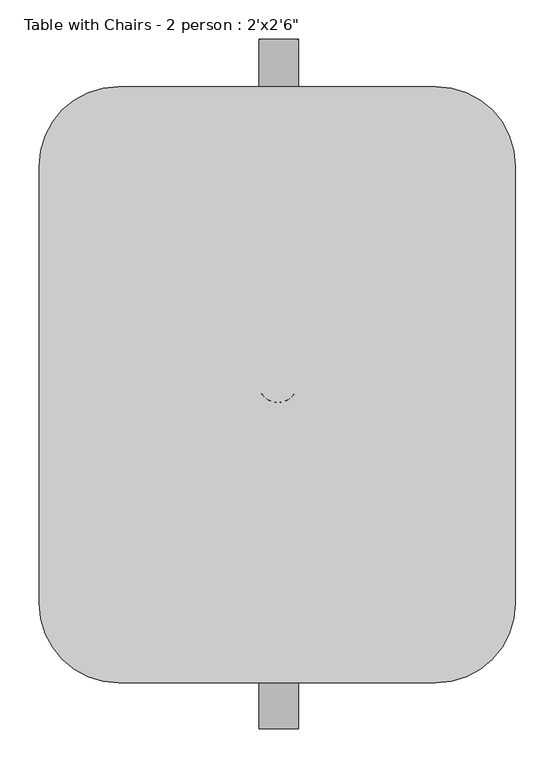
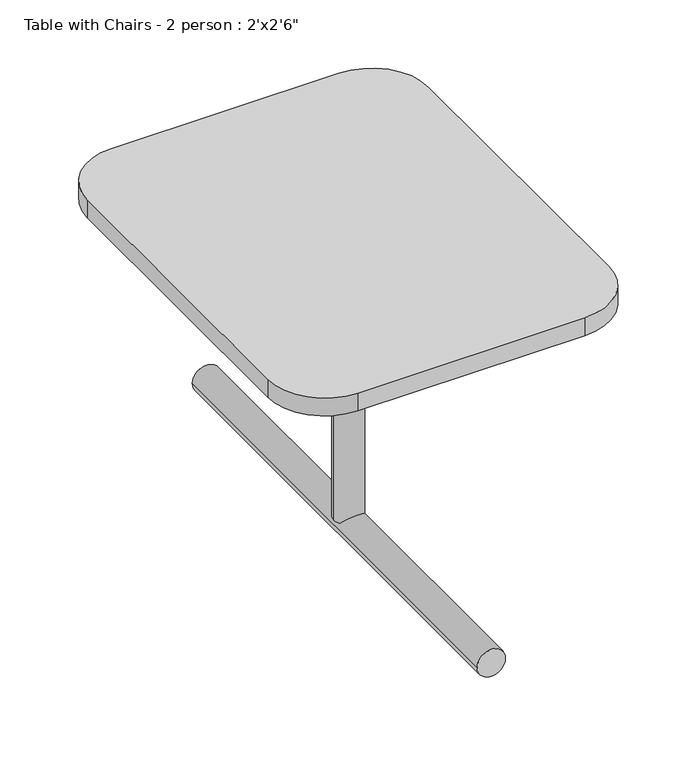
"""IFC4 building model written with IfcOpenShell, lengths in millimetres: furniture geometry."""

from ifc_helpers import new_model, si_unit, point, frame, frame_2d, origin, place, context, project, spatial, polyline, circle_curve, trimmed, segment, composite_curve, outline, extrude, source, transform, mapped, element, save


def furniture_329c1a21(model_context):
    return source(origin(), model_context, "Body", "SweptSolid", [
        extrude(outline(composite_curve([segment(trimmed(circle_curve(frame_2d((0.0, -25.4)), 25.4), [point((0.0, -50.8))], [point((0.0, 0.0))], False, "CARTESIAN"), True, "CONTINUOUS"), segment(trimmed(circle_curve(frame_2d((0.0, -25.4)), 25.4), [point((0.0, 0.0))], [point((0.0, -50.8))], False, "CARTESIAN"), True, "CONTINUOUS")], self_intersect=False)), frame((419.0268721, 1.6184807, 260.985332), z_axis=(0.0, 0.002041048938466462, 0.9999979170574461), x_axis=(0.0, -0.9999979170574461, 0.002041048938466462)), (0.0, 0.0, 1.0), 501.4645704),
        extrude(outline(composite_curve([segment(trimmed(circle_curve(frame_2d((0.0, -25.4)), 25.4), [point((0.0, -50.8))], [point((0.0, 0.0))], False, "CARTESIAN"), True, "CONTINUOUS"), segment(trimmed(circle_curve(frame_2d((0.0, -25.4)), 25.4), [point((0.0, 0.0))], [point((0.0, -50.8))], False, "CARTESIAN"), True, "CONTINUOUS")], self_intersect=False)), frame((419.9289865, -439.845381, 249.8120924), z_axis=(0.0, 0.9999968761177159, 0.0024995509215781776), x_axis=(0.0, -0.0024995509215781776, 0.9999968761177159)), (0.0, 0.0, 1.0), 881.5920427),
        extrude(outline(composite_curve([segment(trimmed(circle_curve(frame_2d((595.9247576, 279.4)), 101.6), [point((595.9247576, 381.0))], [point((697.5247576, 279.4))], False, "CARTESIAN"), True, "CONTINUOUS"), segment(polyline([(697.5247576, 279.4), (697.5247576, -279.4)]), True, "CONTINUOUS"), segment(trimmed(circle_curve(frame_2d((595.9247576, -279.4)), 101.6), [point((697.5247576, -279.4))], [point((595.9247576, -381.0))], False, "CARTESIAN"), True, "CONTINUOUS"), segment(polyline([(595.9247576, -381.0), (189.5247576, -381.0)]), True, "CONTINUOUS"), segment(trimmed(circle_curve(frame_2d((189.5247576, -279.4)), 101.6), [point((189.5247576, -381.0))], [point((87.9247576, -279.4))], False, "CARTESIAN"), True, "CONTINUOUS"), segment(polyline([(87.9247576, -279.4), (87.9247576, 279.4)]), True, "CONTINUOUS"), segment(trimmed(circle_curve(frame_2d((189.5247576, 279.4)), 101.6), [point((87.9247576, 279.4))], [point((189.5247576, 381.0))], False, "CARTESIAN"), True, "CONTINUOUS"), segment(polyline([(189.5247576, 381.0), (595.9247576, 381.0)]), True, "CONTINUOUS")], self_intersect=False)), frame((0.0, 0.0, 762.0), z_axis=(0.0, 0.0, 1.0), x_axis=(1.0, 0.0, 0.0)), (0.0, 0.0, 1.0), 33.5451862),
    ])


if __name__ == "__main__":
    model = new_model("IFC4")
    model_context = context("Model", 3, world=origin())
    ifc_project = project(units=[si_unit("LENGTHUNIT", "METRE", prefix="MILLI")], contexts=[model_context])
    site = spatial("IfcSite", under=ifc_project)
    building = spatial("IfcBuilding", under=site)
    placement = place(None, origin())
    furniture_shape = furniture_329c1a21(model_context)
    element("IfcFurniture", 1, ObjectType="Table with Chairs - 2 person : 2'x2'6\"", at=placement, inside=building, context=model_context, shape_type="MappedRepresentation", body=[
        mapped(furniture_shape, transform((0.0, 0.0, 0.0), x_axis=(1.0, 0.0, 0.0), y_axis=(0.0, 1.0, 0.0), z_axis=(0.0, 0.0, 1.0))),
    ])
    save(model, "model.ifc")
